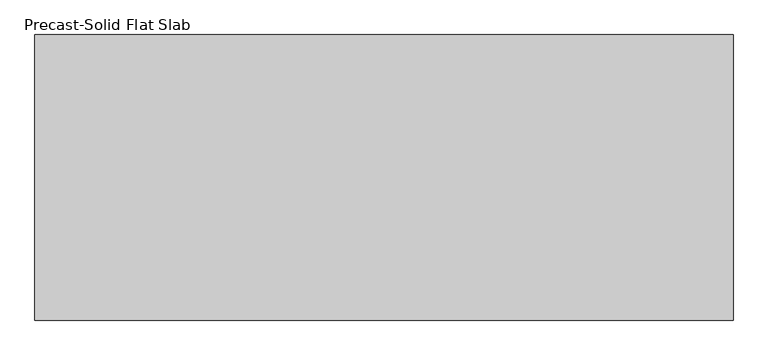
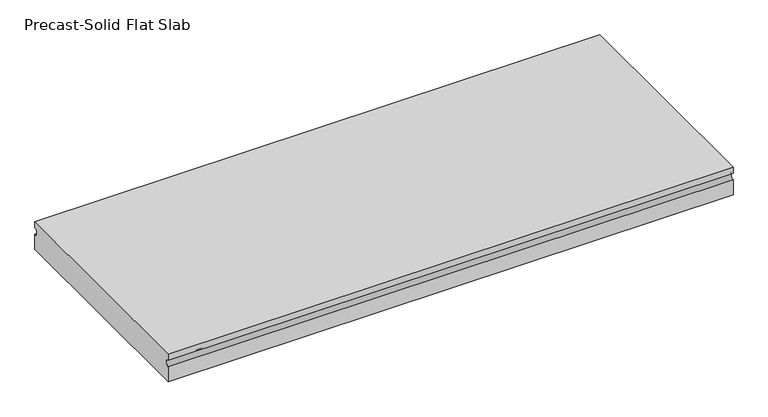
"""IFC4 building model written with IfcOpenShell, lengths in millimetres: beam geometry, Precast-Solid Flat Slab."""

from ifc_helpers import new_model, si_unit, point, frame, frame_2d, origin, place, context, project, spatial, polyline, circle_curve, trimmed, segment, composite_curve, outline, extrude, source, transform, mapped, element, save


def precast_solid_flat_slab_3c377ca5(model_context):
    return source(origin(), model_context, "Body", "SweptSolid", [
        extrude(outline(composite_curve([segment(polyline([(-304.8, 38.1), (304.8, 38.1), (304.8, 22.225)]), True, "CONTINUOUS"), segment(trimmed(circle_curve(frame_2d((304.8, 12.7)), 9.525), [point((304.8, 22.225))], [point((304.8, 3.175))], True, "CARTESIAN"), True, "CONTINUOUS"), segment(polyline([(304.8, 3.175), (304.8, -38.1), (-304.8, -38.1), (-304.8, 3.175)]), True, "CONTINUOUS"), segment(trimmed(circle_curve(frame_2d((-304.8, 12.7)), 9.525), [point((-304.8, 3.175))], [point((-304.8, 22.225))], True, "CARTESIAN"), True, "CONTINUOUS"), segment(polyline([(-304.8, 22.225), (-304.8, 38.1)]), True, "CONTINUOUS")], self_intersect=False)), frame((-739.9238281, 0.0, 0.0), z_axis=(1.0, 0.0, 0.0), x_axis=(0.0, 1.0, 0.0)), (0.0, 0.0, 1.0), 1490.1664062),
    ])


if __name__ == "__main__":
    model = new_model("IFC4")
    model_context = context("Model", 3, world=origin())
    ifc_project = project(units=[si_unit("LENGTHUNIT", "METRE", prefix="MILLI")], contexts=[model_context])
    site = spatial("IfcSite", under=ifc_project)
    building = spatial("IfcBuilding", under=site)
    placement = place(None, origin())
    precast_solid_flat_slab_shape = precast_solid_flat_slab_3c377ca5(model_context)
    element("IfcBeam", 1, ObjectType="Precast-Solid Flat Slab", at=placement, inside=building, context=model_context, shape_type="MappedRepresentation", body=[
        mapped(precast_solid_flat_slab_shape, transform((0.0, 0.0, 0.0), x_axis=(1.0, 0.0, 0.0), y_axis=(0.0, 1.0, 0.0), z_axis=(0.0, 0.0, 1.0))),
    ])
    save(model, "model.ifc")
